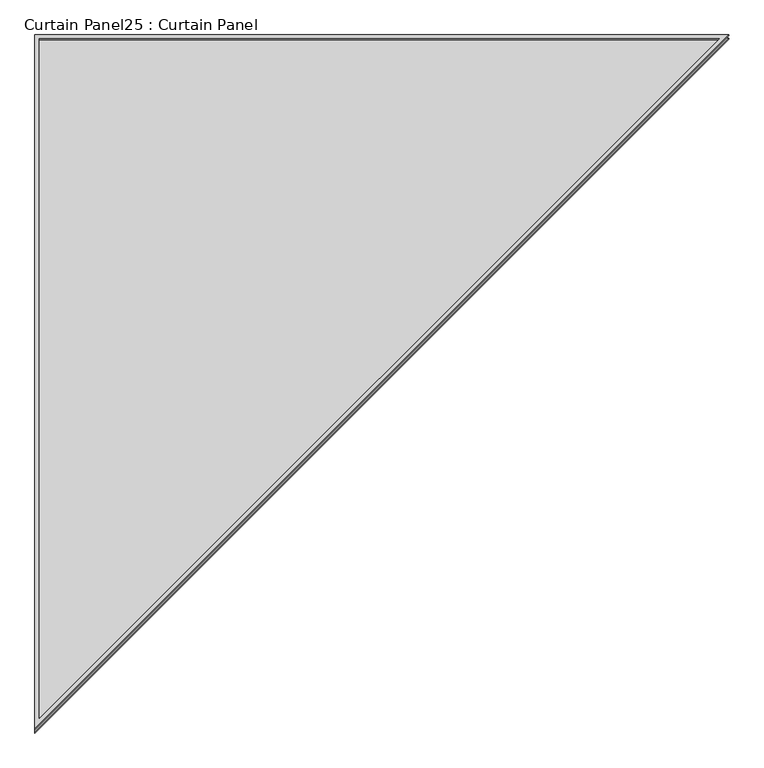
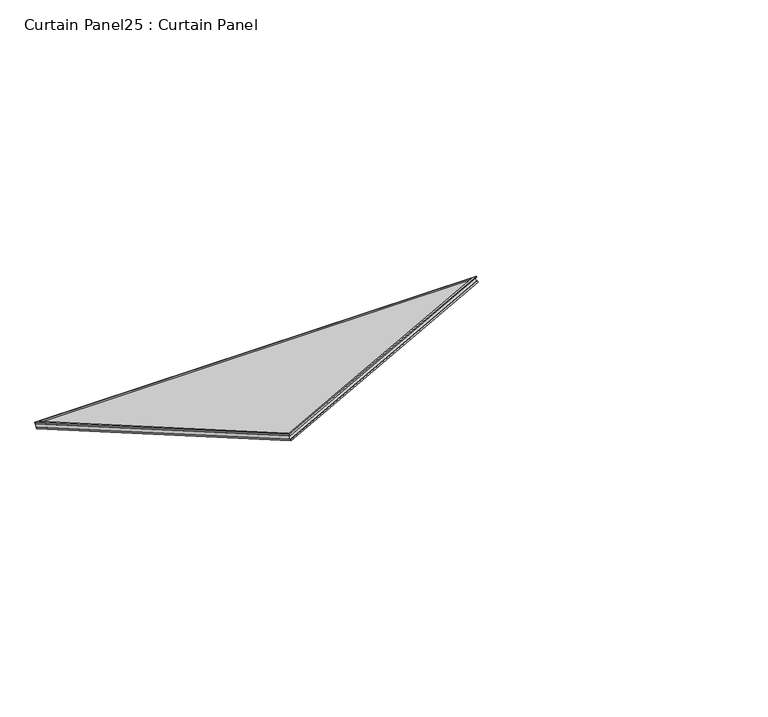
"""IFC4 building model written with IfcOpenShell, lengths in millimetres: plate geometry, Curtain Panel25 : Curtain Panel."""

from ifc_helpers import new_model, si_unit, frame, origin, place, context, project, spatial, polyline, outline, extrude, source, transform, mapped, element, save


def curtain_panel25_curtain_panel_34c45e78(model_context):
    return source(origin(), model_context, "Body", "SweptSolid", [
        extrude(outline(polyline([(2026.4180259, -11.1252), (-11.1252, -11.1252), (-11.1252, 1753.4389949), (2026.4180259, -11.1252)]), holes=[polyline([(1996.5777277, 0.0), (0.0, 1729.0870328), (0.0, 0.0), (1996.5777277, 0.0)])]), frame((15403.2374101, 16180.8714517, -21.3346674), z_axis=(0.0, 0.4999999999999999, 0.8660254037844387), x_axis=(0.0, -0.8660254037844387, 0.4999999999999999)), (0.0, 0.0, 1.0), 4.7813256),
        extrude(outline(polyline([(2026.4180259, -11.1252), (-11.1252, -11.1252), (-11.1252, 1753.4389949), (2026.4180259, -11.1252)]), holes=[polyline([(1996.5777278, 0.0), (0.0, 1729.0870328), (0.0, 0.0), (1996.5777278, 0.0)])]), frame((15403.2374101, 16189.7202889, -6.0080319), z_axis=(0.0, 0.4999999999999989, 0.8660254037844393), x_axis=(0.0, -0.8660254037844393, 0.4999999999999989)), (0.0, 0.0, 1.0), 4.7813256),
        extrude(outline(polyline([(12.7, 0.0), (1772.0697927, 0.0), (12.7, -2031.5452469), (12.7, 0.0)])), frame((15379.4122101, 16192.9013774, -22.748625), z_axis=(0.0, 0.49999999999999867, 0.8660254037844395), x_axis=(1.0, 0.0, 0.0)), (0.0, 0.0, 1.0), 12.6598865),
    ])


if __name__ == "__main__":
    model = new_model("IFC4")
    model_context = context("Model", 3, world=origin())
    ifc_project = project(units=[si_unit("LENGTHUNIT", "METRE", prefix="MILLI")], contexts=[model_context])
    site = spatial("IfcSite", under=ifc_project)
    building = spatial("IfcBuilding", under=site)
    placement = place(None, origin())
    curtain_panel25_curtain_panel_shape = curtain_panel25_curtain_panel_34c45e78(model_context)
    element("IfcPlate", 1, ObjectType="Curtain Panel25 : Curtain Panel", at=placement, inside=building, context=model_context, shape_type="MappedRepresentation", body=[
        mapped(curtain_panel25_curtain_panel_shape, transform((0.0, 0.0, 0.0), x_axis=(1.0, 0.0, 0.0), y_axis=(0.0, 1.0, 0.0), z_axis=(0.0, 0.0, 1.0))),
    ])
    save(model, "model.ifc")
